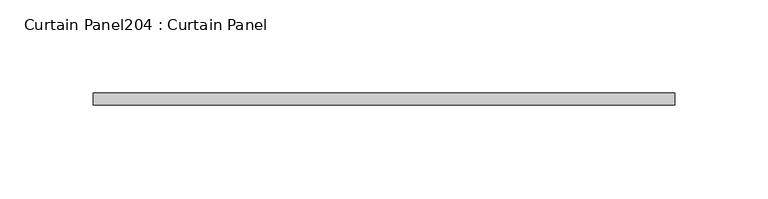
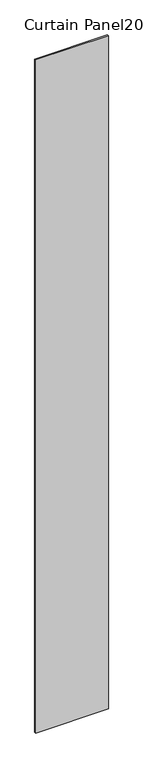
"""IFC4 building model written with IfcOpenShell, lengths in millimetres: plate geometry, Curtain Panel204 : Curtain Panel."""

from ifc_helpers import new_model, si_unit, frame, origin, place, context, project, spatial, polyline, outline, extrude, source, transform, mapped, element, save


def curtain_panel204_curtain_panel_02327382(model_context):
    return source(origin(), model_context, "Body", "SweptSolid", [
        extrude(outline(polyline([(609833.5390981, 2952.7975836), (609521.9137084, 2952.7975836), (609521.9137084, 2959.1475836), (609833.5390981, 2959.1475836), (609833.5390981, 2952.7975836)])), frame((0.0, 0.0, 4959.7989371), z_axis=(0.0, 0.0, 1.0), x_axis=(1.0, 0.0, 0.0)), (0.0, 0.0, 1.0), 3048.0),
    ])


if __name__ == "__main__":
    model = new_model("IFC4")
    model_context = context("Model", 3, world=origin())
    ifc_project = project(units=[si_unit("LENGTHUNIT", "METRE", prefix="MILLI")], contexts=[model_context])
    site = spatial("IfcSite", under=ifc_project)
    building = spatial("IfcBuilding", under=site)
    placement = place(None, origin())
    curtain_panel204_curtain_panel_shape = curtain_panel204_curtain_panel_02327382(model_context)
    element("IfcPlate", 1, ObjectType="Curtain Panel204 : Curtain Panel", at=placement, inside=building, context=model_context, shape_type="MappedRepresentation", body=[
        mapped(curtain_panel204_curtain_panel_shape, transform((0.0, 0.0, 0.0), x_axis=(1.0, 0.0, 0.0), y_axis=(0.0, 1.0, 0.0), z_axis=(0.0, 0.0, 1.0))),
    ])
    save(model, "model.ifc")
